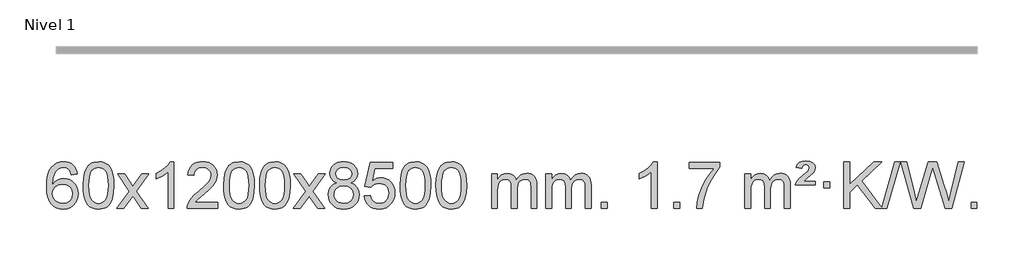
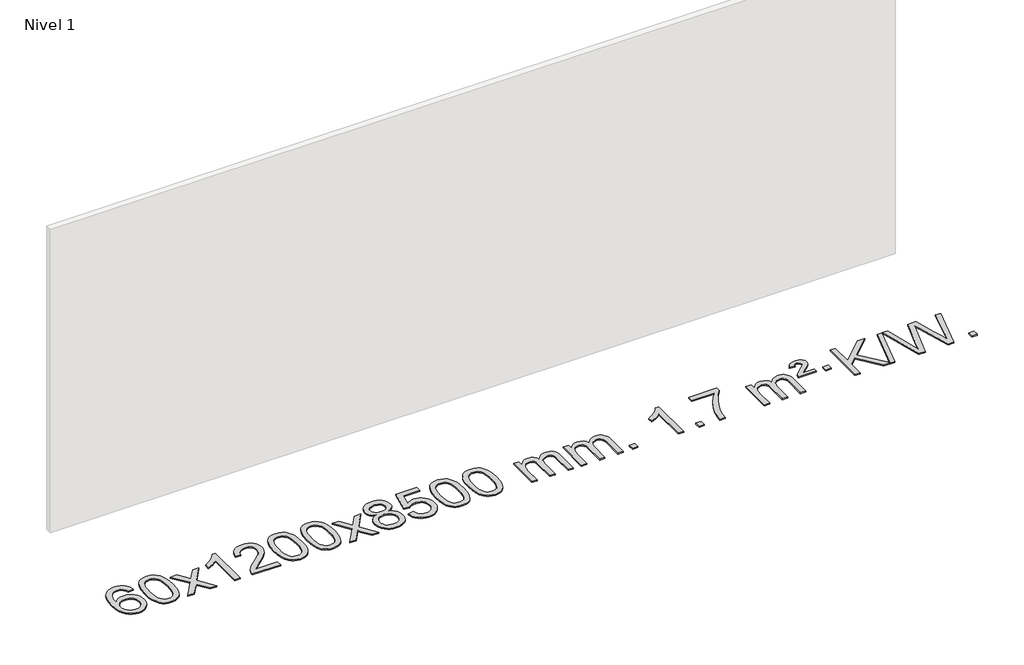
# One storey, part 14 of 16: 1 proxy.
"""IFC4 building model written with IfcOpenShell, lengths in millimetres."""

from ifc_helpers import new_model, si_unit, origin, origin_with_axes, place, context, project, spatial, polyline, outline, extrude, element, save

model = new_model("IFC4")

# Units and contexts
model_context = context("Model", 3, world=origin())
ifc_project = project(units=[si_unit("LENGTHUNIT", "METRE", prefix="MILLI")], contexts=[model_context])

# Site, building, storey
site = spatial("IfcSite", under=ifc_project)
building = spatial("IfcBuilding", under=site)
storey = spatial("IfcBuildingStorey", under=building, Name="Nivel 1", Elevation=0.0)

# Proxy
placement = place(None, origin())
element("IfcBuildingElementProxy", 1, Name="Texto de modelo 1", ObjectType="Texto de modelo 1", at=placement, inside=storey, context=model_context, shape_type="SweptSolid", body=[
    extrude(outline(polyline([(-52.5741406, -96.4890419), (-102.8022957, -102.7675613), (-110.8956996, -77.874213), (-121.8340576, -60.8780648), (-144.6182158, -45.2062918), (-172.1603145, -39.9823675), (-195.5085585, -43.0235253), (-217.4833763, -52.1469988), (-236.3557227, -71.3627017), (-251.7699783, -97.8134171), (-262.1810387, -135.227016), (-266.0437997, -187.3313693), (-245.8961291, -163.8237098), (-221.7508075, -147.2567573), (-194.9567355, -137.434308), (-166.8628138, -134.1601582), (-142.7297549, -136.398107), (-120.4606315, -143.1119534), (-100.0554435, -154.3016975), (-81.5141909, -169.9673391), (-66.1060667, -189.1769106), (-55.1002637, -210.9984443), (-48.4967818, -235.4319401), (-46.2956212, -262.4773982), (-50.440425, -298.4439945), (-62.8748365, -331.786366), (-82.568786, -360.0642287), (-108.4922039, -380.8372987), (-139.4678679, -393.602804), (-174.3185556, -397.8579724), (-204.2610843, -395.0375437), (-231.3034766, -386.5762579), (-255.4457325, -372.4741147), (-276.6878521, -352.7311143), (-294.005897, -326.5133908), (-306.3759291, -292.9870783), (-313.7979483, -252.1521768), (-316.2719548, -204.0086864), (-313.5251025, -150.0342663), (-305.2845458, -103.9693092), (-291.5502847, -65.8138149), (-272.3223191, -35.5677835), (-251.481804, -15.5243462), (-227.3180883, -1.2076052), (-199.8311719, 7.3824394), (-169.0210548, 10.2457876), (-145.8874087, 8.4738227), (-124.9487918, 3.1579278), (-106.2052042, -5.7018969), (-89.6566457, -18.1056515), (-75.7507063, -33.6364031), (-64.9349757, -51.8772186), (-57.2094538, -72.8280983), (-52.5741406, -96.4890419)]), holes=[polyline([(-266.0437997, -261.6925832), (-263.1375319, -283.9494439), (-254.4187286, -305.2007605), (-240.8806712, -323.472233), (-223.516641, -336.7895612), (-202.5596301, -344.9197533), (-178.2426302, -347.6298173), (-145.0964624, -342.0134855), (-131.1813259, -334.9930708), (-119.0381544, -325.1644901), (-109.188114, -312.9262824), (-102.1523708, -298.6769865), (-96.5237763, -264.1451299), (-102.0787944, -230.9989621), (-109.0225671, -217.3781312), (-118.7438488, -205.725469), (-130.9238085, -196.3904634), (-145.2436152, -189.7226022), (-180.3027693, -184.3883133), (-213.3998862, -189.7226022), (-241.0768749, -205.725469), (-251.9999045, -217.2248471), (-259.8020685, -230.3858254), (-264.4833669, -245.2084042), (-266.0437997, -261.6925832)])]), origin_with_axes(), (0.0, 0.0, 1.0), 10.0),
    extrude(outline(polyline([(-2.3459855, -193.9041943), (1.3450971, -129.5861588), (12.4183452, -78.2911459), (30.763394, -39.2343407), (42.621457, -24.0009605), (56.269879, -11.6309284), (71.7546453, -2.0598651), (89.1217412, 4.7766086), (129.5029215, 10.2457876), (160.4540601, 7.008426), (188.167837, -2.7036586), (211.3444027, -18.5103217), (228.6839074, -40.0314184), (241.7805065, -67.0830078), (252.2283551, -99.4811488), (259.0709602, -140.6226186), (261.3518286, -193.9041943), (257.6975341, -257.8543477), (246.7346507, -309.0267333), (228.4999664, -348.1203266), (216.6694946, -363.3996922), (203.0302696, -375.8341036), (187.5271092, -385.4695462), (170.1048311, -392.3520052), (129.5029215, -397.8579724), (101.8381955, -395.4667394), (77.3127291, -388.2930405), (55.9265225, -376.3368757), (37.6795755, -359.5982449), (20.1683926, -329.3399508), (7.6604047, -291.6381776), (0.155612, -246.4929255), (-2.3459855, -193.9041943)]), holes=[polyline([(47.8821695, -193.8060924), (49.3536975, -237.4706195), (53.7682815, -272.8148822), (61.1259214, -299.8388804), (71.4266172, -318.5426142), (83.8855541, -331.2682656), (97.7179171, -340.3580165), (112.9237063, -345.8118671), (129.5029215, -347.6298173), (146.0821368, -345.8057357), (161.2879259, -340.3334911), (175.1202889, -331.2130833), (187.5792258, -318.4445124), (197.8799217, -299.7101217), (205.2375616, -272.6922549), (209.6521455, -237.3909118), (211.1236735, -193.8060924), (209.7011965, -151.2973278), (205.4337653, -116.5753989), (198.3213801, -89.6403055), (188.3640408, -70.4920476), (176.1135703, -57.1440625), (162.1217918, -47.6097875), (146.3887051, -41.8892225), (128.9143103, -39.9823675), (112.4209342, -41.6623619), (97.4726625, -46.7023452), (84.0694951, -55.1023175), (72.2114321, -66.8622786), (61.5673797, -87.708925), (53.9644852, -115.8151094), (49.4027484, -151.1808319), (47.8821695, -193.8060924)])]), origin_with_axes(), (0.0, 0.0, 1.0), 10.0),
    extrude(outline(polyline([(286.4659061, -391.579453), (393.7893469, -243.2494325), (292.7444255, -96.4890419), (353.1751746, -96.4890419), (401.9318017, -167.122385), (424.6914345, -200.4770192), (444.4099094, -173.2047007), (499.9355652, -96.4890419), (560.3663143, -96.4890419), (454.2200959, -243.2494325), (556.4422397, -391.579453), (496.0114906, -391.579453), (434.501621, -302.4048574), (423.2199065, -286.1199477), (346.8966552, -391.579453), (286.4659061, -391.579453)])), origin_with_axes(), (0.0, 0.0, 1.0), 10.0),
    extrude(outline(polyline([(776.1904181, -391.579453), (725.962263, -391.579453), (725.962263, -78.4382987), (704.9929893, -95.3976587), (678.3828583, -112.3324932), (625.5059529, -137.6918254), (625.5059529, -90.2105225), (664.9551655, -68.7507395), (699.1314029, -43.219729), (726.0726276, -16.0700378), (743.8168025, 10.2457876), (776.1904181, 10.2457876), (776.1904181, -391.579453)])), origin_with_axes(), (0.0, 0.0, 1.0), 10.0),
    extrude(outline(polyline([(1152.9015812, -341.3512979), (1152.9015812, -391.579453), (889.203767, -391.579453), (890.307413, -373.8965918), (894.5993696, -356.9494945), (906.9847301, -329.8856424), (925.1090498, -303.6311307), (951.3267733, -276.1503456), (987.9923455, -245.4076736), (1042.1936261, -197.2641831), (1074.7143945, -161.7267824), (1090.9747787, -132.884834), (1096.3949067, -104.8277005), (1091.281347, -79.6768347), (1075.9406678, -58.7688747), (1052.3594319, -44.6789943), (1022.5242021, -39.9823675), (991.1929188, -44.5686297), (966.8513935, -58.3274163), (951.1428323, -80.1796068), (945.7104415, -109.0460807), (895.4822864, -102.7675613), (899.8018342, -76.838012), (907.6591805, -54.1826125), (919.0543253, -34.8013627), (933.9872686, -18.6942627), (952.1146539, -6.0329907), (973.0931247, 3.010775), (996.9226809, 8.4370345), (1023.6033226, 10.2457876), (1050.5230876, 8.2346994), (1074.4814025, 2.2014346), (1095.4782674, -7.8540066), (1113.5136822, -21.9316242), (1127.9990358, -38.9890861), (1138.3457169, -57.9840598), (1144.5537256, -78.9165453), (1146.6230618, -101.7865427), (1144.3912444, -125.8092369), (1137.695792, -149.4149983), (1125.8132036, -173.4254299), (1108.0199778, -198.6621347), (1079.6562759, -228.7916701), (1036.0622595, -267.4805933), (978.2802608, -315.795762), (955.6187299, -341.3512979), (1152.9015812, -341.3512979)])), origin_with_axes(), (0.0, 0.0, 1.0), 10.0),
    extrude(outline(polyline([(1203.1297362, -193.9041943), (1206.8208189, -129.5861588), (1217.894067, -78.2911459), (1236.2391158, -39.2343407), (1248.0971788, -24.0009605), (1261.7456008, -11.6309284), (1277.2303671, -2.0598651), (1294.597463, 4.7766086), (1334.9786433, 10.2457876), (1365.9297818, 7.008426), (1393.6435588, -2.7036586), (1416.8201245, -18.5103217), (1434.1596292, -40.0314184), (1447.2562282, -67.0830078), (1457.7040769, -99.4811488), (1464.546682, -140.6226186), (1466.8275504, -193.9041943), (1463.1732559, -257.8543477), (1452.2103725, -309.0267333), (1433.9756882, -348.1203266), (1422.1452164, -363.3996922), (1408.5059914, -375.8341036), (1393.002831, -385.4695462), (1375.5805529, -392.3520052), (1334.9786433, -397.8579724), (1307.3139173, -395.4667394), (1282.7884509, -388.2930405), (1261.4022443, -376.3368757), (1243.1552973, -359.5982449), (1225.6441144, -329.3399508), (1213.1361265, -291.6381776), (1205.6313338, -246.4929255), (1203.1297362, -193.9041943)]), holes=[polyline([(1253.3578913, -193.8060924), (1254.8294193, -237.4706195), (1259.2440032, -272.8148822), (1266.6016432, -299.8388804), (1276.902339, -318.5426142), (1289.3612759, -331.2682656), (1303.1936389, -340.3580165), (1318.3994281, -345.8118671), (1334.9786433, -347.6298173), (1351.5578586, -345.8057357), (1366.7636477, -340.3334911), (1380.5960107, -331.2130833), (1393.0549476, -318.4445124), (1403.3556435, -299.7101217), (1410.7132834, -272.6922549), (1415.1278673, -237.3909118), (1416.5993953, -193.8060924), (1415.1769183, -151.2973278), (1410.9094871, -116.5753989), (1403.7971019, -89.6403055), (1393.8397625, -70.4920476), (1381.5892921, -57.1440625), (1367.5975136, -47.6097875), (1351.8644269, -41.8892225), (1334.3900321, -39.9823675), (1317.896656, -41.6623619), (1302.9483843, -46.7023452), (1289.5452169, -55.1023175), (1277.6871539, -66.8622786), (1267.0431015, -87.708925), (1259.440207, -115.8151094), (1254.8784702, -151.1808319), (1253.3578913, -193.8060924)])]), origin_with_axes(), (0.0, 0.0, 1.0), 10.0),
    extrude(outline(polyline([(1510.7771861, -193.9041943), (1514.4682688, -129.5861588), (1525.5415168, -78.2911459), (1543.8865656, -39.2343407), (1555.7446286, -24.0009605), (1569.3930506, -11.6309284), (1584.877817, -2.0598651), (1602.2449128, 4.7766086), (1642.6260932, 10.2457876), (1673.5772317, 7.008426), (1701.2910087, -2.7036586), (1724.4675743, -18.5103217), (1741.8070791, -40.0314184), (1754.9036781, -67.0830078), (1765.3515267, -99.4811488), (1772.1941319, -140.6226186), (1774.4750002, -193.9041943), (1770.8207057, -257.8543477), (1759.8578223, -309.0267333), (1741.6231381, -348.1203266), (1729.7926662, -363.3996922), (1716.1534413, -375.8341036), (1700.6502808, -385.4695462), (1683.2280027, -392.3520052), (1642.6260932, -397.8579724), (1614.9613671, -395.4667394), (1590.4359008, -388.2930405), (1569.0496941, -376.3368757), (1550.8027472, -359.5982449), (1533.2915642, -329.3399508), (1520.7835764, -291.6381776), (1513.2787836, -246.4929255), (1510.7771861, -193.9041943)]), holes=[polyline([(1561.0053412, -193.8060924), (1562.4768691, -237.4706195), (1566.8914531, -272.8148822), (1574.249093, -299.8388804), (1584.5497888, -318.5426142), (1597.0087258, -331.2682656), (1610.8410888, -340.3580165), (1626.0468779, -345.8118671), (1642.6260932, -347.6298173), (1659.2053084, -345.8057357), (1674.4110975, -340.3334911), (1688.2434606, -331.2130833), (1700.7023975, -318.4445124), (1711.0030933, -299.7101217), (1718.3607332, -272.6922549), (1722.7753172, -237.3909118), (1724.2468452, -193.8060924), (1722.8243681, -151.2973278), (1718.556937, -116.5753989), (1711.4445517, -89.6403055), (1701.4872124, -70.4920476), (1689.2367419, -57.1440625), (1675.2449634, -47.6097875), (1659.5118767, -41.8892225), (1642.037482, -39.9823675), (1625.5441058, -41.6623619), (1610.5958341, -46.7023452), (1597.1926667, -55.1023175), (1585.3346038, -66.8622786), (1574.6905514, -87.708925), (1567.0876568, -115.8151094), (1562.5259201, -151.1808319), (1561.0053412, -193.8060924)])]), origin_with_axes(), (0.0, 0.0, 1.0), 10.0),
    extrude(outline(polyline([(1799.5890778, -391.579453), (1906.9125185, -243.2494325), (1805.8675971, -96.4890419), (1866.2983462, -96.4890419), (1915.0549733, -167.122385), (1937.8146061, -200.4770192), (1957.533081, -173.2047007), (2013.0587368, -96.4890419), (2073.4894859, -96.4890419), (1967.3432676, -243.2494325), (2069.5654113, -391.579453), (2009.1346622, -391.579453), (1947.6247926, -302.4048574), (1936.3430781, -286.1199477), (1860.0198268, -391.579453), (1799.5890778, -391.579453)])), origin_with_axes(), (0.0, 0.0, 1.0), 10.0),
    extrude(outline(polyline([(2174.1419998, -170.2616447), (2147.2498259, -157.0178929), (2128.3774796, -139.0652515), (2117.2306551, -116.7716026), (2113.515047, -90.5048281), (2115.538398, -70.0199324), (2121.6084509, -51.2395565), (2131.7252057, -34.1637006), (2145.8886626, -18.7923645), (2163.4182396, -6.088173), (2183.6333553, 2.9862496), (2206.5340095, 8.4309031), (2232.1202022, 10.2457876), (2257.8290223, 8.3879835), (2280.9013548, 2.8145713), (2301.3371996, -6.4744491), (2319.1365568, -19.4790776), (2333.557531, -35.1508506), (2343.8582269, -52.4413044), (2350.0386444, -71.3504389), (2352.0987836, -91.8782543), (2348.4322264, -117.2989001), (2337.4325547, -139.2124043), (2318.9771413, -157.0546811), (2292.9433588, -170.2616447), (2323.8577091, -186.1909351), (2346.3598245, -209.6495436), (2360.0818229, -239.5092989), (2364.6558224, -274.6420295), (2362.3872167, -299.6947933), (2355.5813998, -322.6628926), (2344.2383716, -343.5463272), (2328.3581322, -362.3450971), (2308.7745473, -377.88198), (2286.3214828, -388.9797536), (2260.9989388, -395.6384177), (2232.8069153, -397.8579724), (2204.6148917, -395.6292206), (2179.2923477, -388.9429654), (2156.8392833, -377.7992066), (2137.2556984, -362.1979443), (2121.3754589, -343.26735), (2110.0324308, -322.135595), (2103.2266138, -298.8026795), (2100.9580082, -273.2686033), (2105.7159487, -236.7747094), (2119.9897701, -206.7555386), (2143.0437085, -184.2411605), (2174.1419998, -170.2616447)]), holes=[polyline([(2163.7432021, -91.9763561), (2168.1945742, -113.902123), (2181.5486906, -131.413306), (2203.4131439, -142.8912243), (2233.3955265, -146.717197), (2262.6789333, -142.9157497), (2284.2122927, -131.5114079), (2297.4560446, -114.5888361), (2301.8706285, -94.232699), (2297.3088918, -73.1040098), (2283.6236815, -55.629615), (2261.7960165, -43.8941794), (2232.8069153, -39.9823675), (2203.6338731, -43.8083402), (2181.8429962, -55.2862585), (2168.2681506, -72.1107284), (2163.7432021, -91.9763561)]), polyline([(2151.1861633, -271.5027698), (2153.2830907, -290.7184726), (2159.5738728, -309.3210389), (2171.1866811, -325.5446349), (2189.2496871, -337.623427), (2210.8811484, -345.1282197), (2233.1993227, -347.6298173), (2267.3878228, -342.3691048), (2281.2814995, -335.7932141), (2293.0414606, -326.5869672), (2309.0811156, -302.6869002), (2314.4276673, -273.0723996), (2308.9094374, -242.9551269), (2292.3547476, -218.5277625), (2280.2759554, -209.0854579), (2266.1124986, -202.3409547), (2231.531591, -196.9453521), (2197.8213375, -202.2673783), (2184.0840107, -208.919911), (2172.4252171, -218.2334569), (2156.4959267, -242.1948375), (2151.1861633, -271.5027698)])]), origin_with_axes(), (0.0, 0.0, 1.0), 10.0),
    extrude(outline(polyline([(2408.605458, -284.8446235), (2458.8336131, -278.5661041), (2468.0551885, -308.7201649), (2484.1438944, -330.3148381), (2507.0261545, -343.3010725), (2536.6283924, -347.6298173), (2555.7582561, -346.1245668), (2572.631777, -341.6088153), (2587.2489549, -334.0825628), (2599.6097899, -323.5458094), (2609.4383706, -310.519721), (2616.4587853, -295.5254641), (2622.0751171, -259.6324441), (2616.8144046, -225.8363514), (2610.2385139, -211.9181493), (2601.032267, -199.9865099), (2589.165007, -190.4154467), (2574.606077, -183.5789729), (2537.4132073, -178.1097939), (2513.0471565, -180.2925604), (2493.3164188, -186.8408599), (2477.5588067, -196.8717757), (2465.1121325, -209.5023908), (2414.8839774, -203.2238715), (2458.8336131, 3.9672682), (2653.467714, 3.9672682), (2653.467714, -46.2608869), (2499.4477854, -46.2608869), (2477.9634769, -156.919791), (2495.6892577, -144.2155994), (2513.8442341, -135.1411769), (2532.4284063, -129.6965234), (2551.441774, -127.8816388), (2575.902861, -130.1318504), (2598.3712539, -136.882485), (2618.8469526, -148.1335427), (2637.3299572, -163.8850234), (2652.6307825, -183.1743027), (2663.5599434, -205.038756), (2670.11744, -229.4783832), (2672.3032722, -256.4931844), (2670.3351035, -282.5147042), (2664.4305975, -306.7213394), (2654.5897541, -329.1130902), (2640.8125734, -349.6899565), (2619.9414015, -370.7634634), (2595.5876135, -385.8159684), (2567.7512092, -394.8474714), (2536.4321886, -397.8579724), (2510.5118364, -395.9235262), (2487.0992131, -390.1201877), (2466.1943187, -380.447957), (2447.7971533, -366.9068338), (2432.4901966, -350.1712688), (2420.8559285, -330.915712), (2412.894349, -309.1401636), (2408.605458, -284.8446235)])), origin_with_axes(), (0.0, 0.0, 1.0), 10.0),
    extrude(outline(polyline([(2716.2529079, -193.9041943), (2719.9439906, -129.5861588), (2731.0172386, -78.2911459), (2749.3622874, -39.2343407), (2761.2203504, -24.0009605), (2774.8687724, -11.6309284), (2790.3535388, -2.0598651), (2807.7206346, 4.7766086), (2848.1018149, 10.2457876), (2879.0529535, 7.008426), (2906.7667304, -2.7036586), (2929.9432961, -18.5103217), (2947.2828008, -40.0314184), (2960.3793999, -67.0830078), (2970.8272485, -99.4811488), (2977.6698537, -140.6226186), (2979.950722, -193.9041943), (2976.2964275, -257.8543477), (2965.3335441, -309.0267333), (2947.0988599, -348.1203266), (2935.268388, -363.3996922), (2921.6291631, -375.8341036), (2906.1260026, -385.4695462), (2888.7037245, -392.3520052), (2848.1018149, -397.8579724), (2820.4370889, -395.4667394), (2795.9116226, -388.2930405), (2774.5254159, -376.3368757), (2756.278469, -359.5982449), (2738.767286, -329.3399508), (2726.2592981, -291.6381776), (2718.7545054, -246.4929255), (2716.2529079, -193.9041943)]), holes=[polyline([(2766.481063, -193.8060924), (2767.9525909, -237.4706195), (2772.3671749, -272.8148822), (2779.7248148, -299.8388804), (2790.0255106, -318.5426142), (2802.4844475, -331.2682656), (2816.3168106, -340.3580165), (2831.5225997, -345.8118671), (2848.1018149, -347.6298173), (2864.6810302, -345.8057357), (2879.8868193, -340.3334911), (2893.7191824, -331.2130833), (2906.1781193, -318.4445124), (2916.4788151, -299.7101217), (2923.836455, -272.6922549), (2928.251039, -237.3909118), (2929.7225669, -193.8060924), (2928.3000899, -151.2973278), (2924.0326588, -116.5753989), (2916.9202735, -89.6403055), (2906.9629342, -70.4920476), (2894.7124637, -57.1440625), (2880.7206852, -47.6097875), (2864.9875985, -41.8892225), (2847.5132038, -39.9823675), (2831.0198276, -41.6623619), (2816.0715559, -46.7023452), (2802.6683885, -55.1023175), (2790.8103256, -66.8622786), (2780.1662732, -87.708925), (2772.5633786, -115.8151094), (2768.0016419, -151.1808319), (2766.481063, -193.8060924)])]), origin_with_axes(), (0.0, 0.0, 1.0), 10.0),
    extrude(outline(polyline([(3023.9003577, -193.9041943), (3027.5914404, -129.5861588), (3038.6646885, -78.2911459), (3057.0097373, -39.2343407), (3068.8678003, -24.0009605), (3082.5162223, -11.6309284), (3098.0009886, -2.0598651), (3115.3680844, 4.7766086), (3155.7492648, 10.2457876), (3186.7004033, 7.008426), (3214.4141803, -2.7036586), (3237.590746, -18.5103217), (3254.9302507, -40.0314184), (3268.0268497, -67.0830078), (3278.4746984, -99.4811488), (3285.3173035, -140.6226186), (3287.5981719, -193.9041943), (3283.9438774, -257.8543477), (3272.9809939, -309.0267333), (3254.7463097, -348.1203266), (3242.9158379, -363.3996922), (3229.2766129, -375.8341036), (3213.7734525, -385.4695462), (3196.3511743, -392.3520052), (3155.7492648, -397.8579724), (3128.0845387, -395.4667394), (3103.5590724, -388.2930405), (3082.1728657, -376.3368757), (3063.9259188, -359.5982449), (3046.4147358, -329.3399508), (3033.906748, -291.6381776), (3026.4019553, -246.4929255), (3023.9003577, -193.9041943)]), holes=[polyline([(3074.1285128, -193.8060924), (3075.6000408, -237.4706195), (3080.0146247, -272.8148822), (3087.3722646, -299.8388804), (3097.6729605, -318.5426142), (3110.1318974, -331.2682656), (3123.9642604, -340.3580165), (3139.1700495, -345.8118671), (3155.7492648, -347.6298173), (3172.32848, -345.8057357), (3187.5342692, -340.3334911), (3201.3666322, -331.2130833), (3213.8255691, -318.4445124), (3224.126265, -299.7101217), (3231.4839049, -272.6922549), (3235.8984888, -237.3909118), (3237.3700168, -193.8060924), (3235.9475397, -151.2973278), (3231.6801086, -116.5753989), (3224.5677233, -89.6403055), (3214.610384, -70.4920476), (3202.3599136, -57.1440625), (3188.368135, -47.6097875), (3172.6350484, -41.8892225), (3155.1606536, -39.9823675), (3138.6672775, -41.6623619), (3123.7190057, -46.7023452), (3110.3158384, -55.1023175), (3098.4577754, -66.8622786), (3087.813723, -87.708925), (3080.2108284, -115.8151094), (3075.6490917, -151.1808319), (3074.1285128, -193.8060924)])]), origin_with_axes(), (0.0, 0.0, 1.0), 10.0),
    extrude(outline(polyline([(3501.0678309, -391.579453), (3501.0678309, -96.4890419), (3551.295986, -96.4890419), (3551.295986, -145.0494653), (3566.4036733, -122.7435537), (3585.8278426, -105.2691589), (3608.9063064, -93.9751816), (3634.9768772, -90.2105225), (3662.9113833, -94.048758), (3685.3031341, -105.5634645), (3702.0295022, -123.9943524), (3712.9678601, -148.5811324), (3731.2761208, -123.0439906), (3752.1595554, -104.803175), (3775.6181639, -93.8586857), (3801.6519464, -90.2105225), (3821.7597632, -91.7280358), (3839.4089019, -96.2805755), (3854.5993626, -103.8681416), (3867.3311453, -114.4907342), (3877.3957836, -128.2709806), (3884.5848109, -145.3315082), (3888.8982273, -165.6723168), (3890.3360328, -189.2934066), (3890.3360328, -391.579453), (3840.1078777, -391.579453), (3840.1078777, -210.875817), (3838.942918, -185.8230531), (3835.4480391, -168.9372695), (3828.8997396, -157.3735121), (3818.5745182, -148.2868268), (3805.2939782, -142.4007149), (3789.8797226, -140.4386776), (3762.6687177, -145.4663982), (3740.4854334, -160.54956), (3731.8800604, -172.1194488), (3725.7333654, -186.7182326), (3720.8160094, -225.0024856), (3720.8160094, -391.579453), (3670.5878543, -391.579453), (3670.5878543, -205.2840106), (3667.6815865, -176.8835206), (3658.9627833, -156.6254854), (3643.6221041, -144.4853796), (3620.8502086, -140.4386776), (3601.4996156, -143.1364789), (3583.6696016, -151.2298828), (3568.9543218, -164.5226856), (3558.9479315, -182.8186835), (3553.2089724, -208.2025411), (3551.295986, -242.7589232), (3551.295986, -391.579453), (3501.0678309, -391.579453)])), origin_with_axes(), (0.0, 0.0, 1.0), 10.0),
    extrude(outline(polyline([(3965.6782654, -391.579453), (3965.6782654, -96.4890419), (4015.9064204, -96.4890419), (4015.9064204, -145.0494653), (4031.0141077, -122.7435537), (4050.4382771, -105.2691589), (4073.5167409, -93.9751816), (4099.5873116, -90.2105225), (4127.5218178, -94.048758), (4149.9135685, -105.5634645), (4166.6399366, -123.9943524), (4177.5782946, -148.5811324), (4195.8865552, -123.0439906), (4216.7699898, -104.803175), (4240.2285984, -93.8586857), (4266.2623809, -90.2105225), (4286.3701976, -91.7280358), (4304.0193363, -96.2805755), (4319.209797, -103.8681416), (4331.9415798, -114.4907342), (4342.006218, -128.2709806), (4349.1952453, -145.3315082), (4353.5086617, -165.6723168), (4354.9464672, -189.2934066), (4354.9464672, -391.579453), (4304.7183121, -391.579453), (4304.7183121, -210.875817), (4303.5533525, -185.8230531), (4300.0584735, -168.9372695), (4293.510174, -157.3735121), (4283.1849527, -148.2868268), (4269.9044126, -142.4007149), (4254.490157, -140.4386776), (4227.2791521, -145.4663982), (4205.0958678, -160.54956), (4196.4904948, -172.1194488), (4190.3437998, -186.7182326), (4185.4264438, -225.0024856), (4185.4264438, -391.579453), (4135.1982887, -391.579453), (4135.1982887, -205.2840106), (4132.292021, -176.8835206), (4123.5732177, -156.6254854), (4108.2325385, -144.4853796), (4085.460643, -140.4386776), (4066.11005, -143.1364789), (4048.280036, -151.2298828), (4033.5647562, -164.5226856), (4023.5583659, -182.8186835), (4017.8194068, -208.2025411), (4015.9064204, -242.7589232), (4015.9064204, -391.579453), (3965.6782654, -391.579453)])), origin_with_axes(), (0.0, 0.0, 1.0), 10.0),
    extrude(outline(polyline([(4442.8457386, -391.579453), (4442.8457386, -341.3512979), (4493.0738936, -341.3512979), (4493.0738936, -391.579453), (4442.8457386, -391.579453)])), origin_with_axes(), (0.0, 0.0, 1.0), 10.0),
    extrude(outline(polyline([(4920.0132118, -391.579453), (4869.7850567, -391.579453), (4869.7850567, -78.4382987), (4848.815783, -95.3976587), (4822.205652, -112.3324932), (4769.3287466, -137.6918254), (4769.3287466, -90.2105225), (4808.7779592, -68.7507395), (4842.9541965, -43.219729), (4869.8954213, -16.0700378), (4887.6395962, 10.2457876), (4920.0132118, 10.2457876), (4920.0132118, -391.579453)])), origin_with_axes(), (0.0, 0.0, 1.0), 10.0),
    extrude(outline(polyline([(5064.4191576, -391.579453), (5064.4191576, -341.3512979), (5114.6473127, -341.3512979), (5114.6473127, -391.579453), (5064.4191576, -391.579453)])), origin_with_axes(), (0.0, 0.0, 1.0), 10.0),
    extrude(outline(polyline([(5196.2680647, -46.2608869), (5196.2680647, 3.9672682), (5459.9658788, 3.9672682), (5459.9658788, -36.646904), (5422.3806017, -84.214046), (5385.1632065, -144.7061088), (5352.3358698, -212.6048623), (5327.920768, -282.3920768), (5315.9523405, -334.6067947), (5309.2814136, -391.579453), (5259.0532585, -391.579453), (5264.4856493, -339.8061935), (5279.0169881, -278.2717985), (5302.2548675, -213.0463207), (5333.80688, -150.1998132), (5370.6441304, -93.3865704), (5409.7377238, -46.2608869), (5196.2680647, -46.2608869)])), origin_with_axes(), (0.0, 0.0, 1.0), 10.0),
    extrude(outline(polyline([(5673.4355379, -391.579453), (5673.4355379, -96.4890419), (5723.663693, -96.4890419), (5723.663693, -145.0494653), (5738.7713803, -122.7435537), (5758.1955496, -105.2691589), (5781.2740134, -93.9751816), (5807.3445842, -90.2105225), (5835.2790903, -94.048758), (5857.6708411, -105.5634645), (5874.3972091, -123.9943524), (5885.3355671, -148.5811324), (5903.6438278, -123.0439906), (5924.5272623, -104.803175), (5947.9858709, -93.8586857), (5974.0196534, -90.2105225), (5994.1274702, -91.7280358), (6011.7766089, -96.2805755), (6026.9670696, -103.8681416), (6039.6988523, -114.4907342), (6049.7634906, -128.2709806), (6056.9525179, -145.3315082), (6061.2659343, -165.6723168), (6062.7037397, -189.2934066), (6062.7037397, -391.579453), (6012.4755847, -391.579453), (6012.4755847, -210.875817), (6011.310625, -185.8230531), (6007.8157461, -168.9372695), (6001.2674465, -157.3735121), (5990.9422252, -148.2868268), (5977.6616852, -142.4007149), (5962.2474296, -140.4386776), (5935.0364247, -145.4663982), (5912.8531404, -160.54956), (5904.2477674, -172.1194488), (5898.1010724, -186.7182326), (5893.1837164, -225.0024856), (5893.1837164, -391.579453), (5842.9555613, -391.579453), (5842.9555613, -205.2840106), (5840.0492935, -176.8835206), (5831.3304902, -156.6254854), (5815.989811, -144.4853796), (5793.2179155, -140.4386776), (5773.8673226, -143.1364789), (5756.0373086, -151.2298828), (5741.3220287, -164.5226856), (5731.3156385, -182.8186835), (5725.5766794, -208.2025411), (5723.663693, -242.7589232), (5723.663693, -391.579453), (5673.4355379, -391.579453)])), origin_with_axes(), (0.0, 0.0, 1.0), 10.0),
    extrude(outline(polyline([(6106.6533754, -190.6668327), (6110.4793482, -174.8479069), (6118.8180067, -158.9799302), (6140.3268407, -133.8413272), (6172.2835234, -106.1030247), (6216.4293628, -68.726214), (6223.5662735, -57.1992448), (6225.9452437, -45.3779701), (6224.0567828, -33.2869152), (6218.3914001, -23.5012541), (6209.022672, -17.026531), (6196.0241748, -14.8682899), (6183.5897634, -16.4869707), (6174.73607, -21.343013), (6168.3103978, -30.8098431), (6163.1600499, -46.2608869), (6112.9318948, -39.9823675), (6123.7721509, -14.7701881), (6140.4004171, 2.7900458), (6164.165594, 13.0907417), (6196.4165822, 16.524307), (6232.1992376, 12.3917659), (6256.9454332, -0.0058573), (6271.3664074, -18.3386434), (6276.1733988, -40.2766731), (6272.0776459, -63.1834586), (6259.7903873, -84.8149199), (6239.262572, -104.6314968), (6202.7932035, -132.6886303), (6177.1886166, -159.2742358), (6276.1733988, -159.2742358), (6276.1733988, -190.6668327), (6106.6533754, -190.6668327)])), origin_with_axes(), (0.0, 0.0, 1.0), 10.0),
    extrude(outline(polyline([(6351.5156314, -215.7809102), (6351.5156314, -165.5527552), (6401.7437865, -165.5527552), (6401.7437865, -215.7809102), (6351.5156314, -215.7809102)])), origin_with_axes(), (0.0, 0.0, 1.0), 10.0),
    extrude(outline(polyline([(6792.3854144, -391.579453), (6638.954097, -188.9009991), (6571.2638099, -253.4520265), (6571.2638099, -391.579453), (6521.0356548, -391.579453), (6521.0356548, 10.2457876), (6571.2638099, 10.2457876), (6571.2638099, -186.4484525), (6777.2777272, 10.2457876), (6847.5186628, 10.2457876), (6674.5650741, -154.9577537), (6849.218684, -385.5349332), (6960.5320117, 10.2457876), (7005.8550735, 10.2457876), (6892.8417246, -391.579453), (6853.7971822, -391.579453), (6847.5186628, -391.579453), (6792.3854144, -391.579453)])), origin_with_axes(), (0.0, 0.0, 1.0), 10.0),
    extrude(outline(polyline([(7120.3399504, -391.579453), (7010.7601668, 10.2457876), (7062.5579517, 10.2457876), (7126.1279605, -253.844434), (7145.7483335, -335.3670841), (7166.7421327, -263.2622131), (7246.4008474, 10.2457876), (7321.056367, 10.2457876), (7378.9364675, -188.0180823), (7403.731714, -261.5944814), (7422.0031864, -335.3670841), (7441.0349483, -256.1988788), (7505.1935683, 10.2457876), (7556.9913532, 10.2457876), (7447.3134677, -391.579453), (7393.6517474, -391.579453), (7297.3157155, -81.5775584), (7283.87576, -38.3146358), (7268.7680727, -90.4067263), (7180.9669032, -391.579453), (7120.3399504, -391.579453)])), origin_with_axes(), (0.0, 0.0, 1.0), 10.0),
    extrude(outline(polyline([(7613.4980277, -391.579453), (7613.4980277, -341.3512979), (7663.7261827, -341.3512979), (7663.7261827, -391.579453), (7613.4980277, -391.579453)])), origin_with_axes(), (0.0, 0.0, 1.0), 10.0),
])

save(model, "model.ifc")
